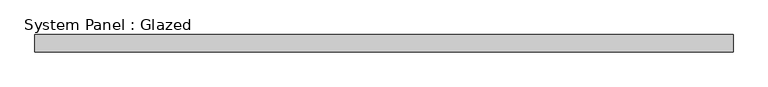
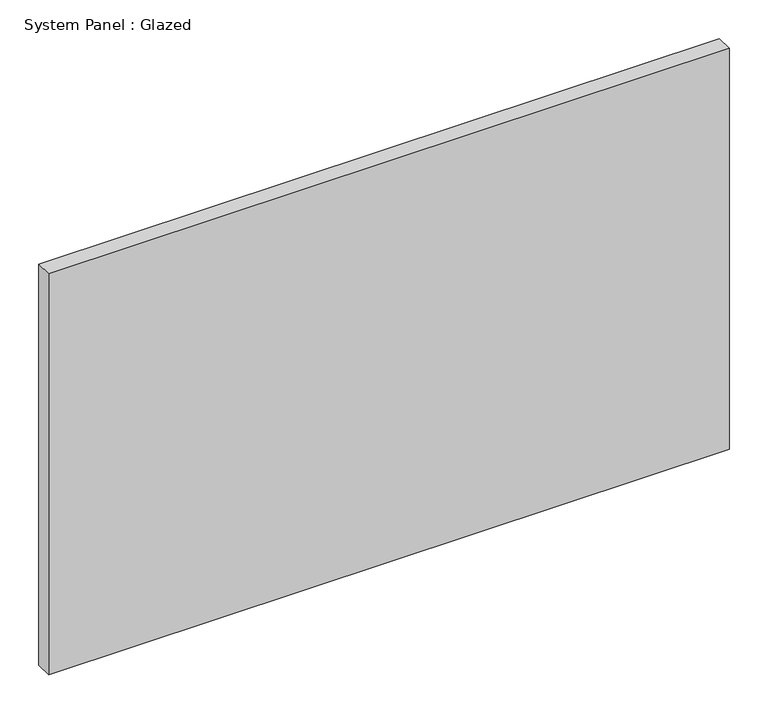
"""IFC4 building model written with IfcOpenShell, lengths in millimetres: plate geometry, System Panel : Glazed."""

from ifc_helpers import new_model, si_unit, origin, origin_with_axes, place, context, project, spatial, polyline, outline, extrude, source, transform, mapped, element, save


def system_panel_glazed_2baeea7a(model_context):
    return source(origin(), model_context, "Body", "SweptSolid", [
        extrude(outline(polyline([(508.0, 19.05), (-508.0, 19.05), (-508.0, 44.45), (508.0, 44.45), (508.0, 19.05)])), origin_with_axes(), (0.0, 0.0, 1.0), 632.5809524),
    ])


if __name__ == "__main__":
    model = new_model("IFC4")
    model_context = context("Model", 3, world=origin())
    ifc_project = project(units=[si_unit("LENGTHUNIT", "METRE", prefix="MILLI")], contexts=[model_context])
    site = spatial("IfcSite", under=ifc_project)
    building = spatial("IfcBuilding", under=site)
    placement = place(None, origin())
    system_panel_glazed_shape = system_panel_glazed_2baeea7a(model_context)
    element("IfcPlate", 1, ObjectType="System Panel : Glazed", at=placement, inside=building, context=model_context, shape_type="MappedRepresentation", body=[
        mapped(system_panel_glazed_shape, transform((0.0, 0.0, 0.0), x_axis=(1.0, 0.0, 0.0), y_axis=(0.0, 1.0, 0.0), z_axis=(0.0, 0.0, 1.0))),
    ])
    save(model, "model.ifc")
